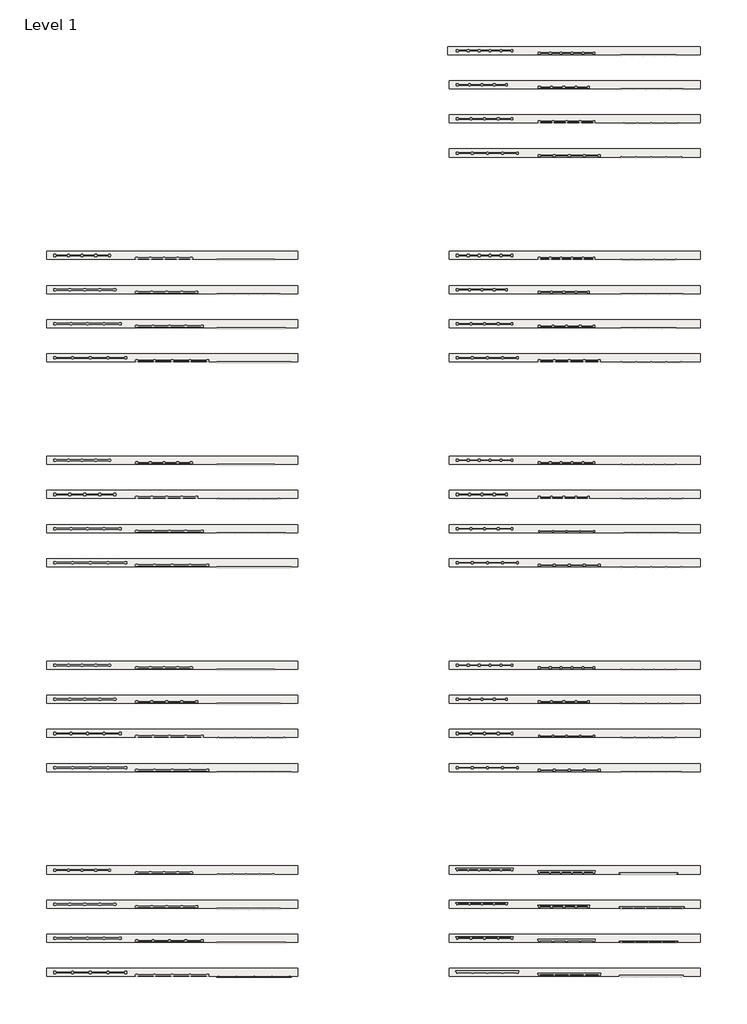
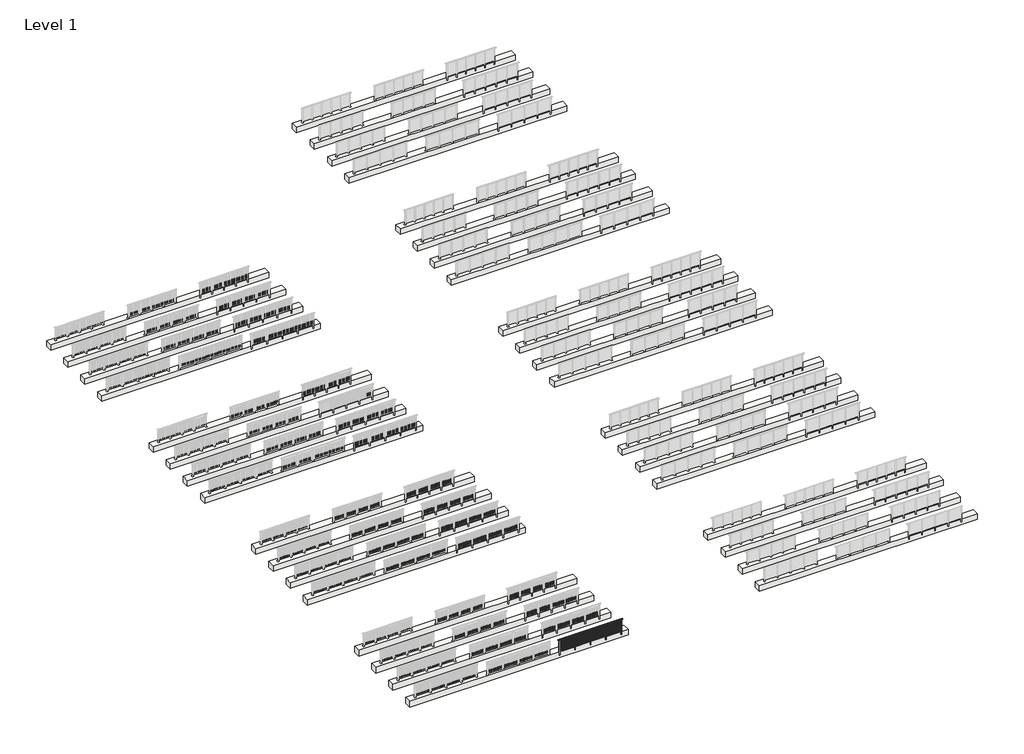
# One storey, part 1 of 38: 36 slabs, 1 railing.
"""IFC4 building model written with IfcOpenShell, lengths in millimetres."""

from ifc_helpers import new_model, si_unit, frame, origin, place, context, project, spatial, polyline, outline, extrude, faceted_brep, element, save

model = new_model("IFC4")

# Units and contexts
model_context = context("Model", 3, world=origin())
ifc_project = project(units=[si_unit("LENGTHUNIT", "METRE", prefix="MILLI")], contexts=[model_context])

# Site, building, storey
site = spatial("IfcSite", under=ifc_project)
building = spatial("IfcBuilding", under=site)
storey = spatial("IfcBuildingStorey", under=building, Name="Level 1", Elevation=0.0)

# Railing
placement = place(None, origin())
element("IfcRailing", 1, at=placement, inside=storey, context=model_context, shape_type="SolidModel", body=[
    faceted_brep([(12000.0, -102.3153172, 1102.5), (12000.0, -102.3153172, 1150.0), (17200.0, -102.3153172, 1150.0), (17200.0, -102.3153172, 1102.5), (12000.0, -162.3153172, 1102.5), (17200.0, -162.3153172, 1102.5), (12000.0, -162.3153172, 1150.0), (17200.0, -162.3153172, 1150.0), (11877.0, -102.3153172, 1150.0), (11877.0, -102.3153172, 1102.5), (11877.0, -162.3153172, 1102.5), (11877.0, -162.3153172, 1150.0), (17323.0, -102.3153172, 1150.0), (17323.0, -162.3153172, 1150.0), (17323.0, -162.3153172, 1102.5), (17323.0, -102.3153172, 1102.5)], [[[0, 1, 2, 3]], [[4, 0, 3, 5]], [[6, 4, 5, 7]], [[1, 6, 7, 2]], [[8, 9, 10, 11]], [[9, 8, 1, 0]], [[10, 9, 0, 4]], [[11, 10, 4, 6]], [[8, 11, 6, 1]], [[12, 13, 14, 15]], [[3, 2, 12, 15]], [[5, 3, 15, 14]], [[7, 5, 14, 13]], [[2, 7, 13, 12]]]),
    extrude(outline(polyline([(12000.0, -150.3153172), (12000.0, -114.3153172), (17200.0, -114.3153172), (17200.0, -150.3153172), (12000.0, -150.3153172)])), frame((0.0, 0.0, 928.0), z_axis=(0.0, 0.0, 1.0), x_axis=(1.0, 0.0, 0.0)), (0.0, 0.0, 1.0), 32.0),
    extrude(outline(polyline([(12000.0, -150.3153172), (12000.0, -114.3153172), (17200.0, -114.3153172), (17200.0, -150.3153172), (12000.0, -150.3153172)])), frame((0.0, 0.0, 93.0), z_axis=(0.0, 0.0, 1.0), x_axis=(1.0, 0.0, 0.0)), (0.0, 0.0, 1.0), 32.0),
    extrude(outline(polyline([(17110.0151515, -140.8153172), (17093.0151515, -140.8153172), (17093.0151515, -123.8153172), (17110.0151515, -123.8153172), (17110.0151515, -140.8153172)])), frame((0.0, 0.0, 125.0), z_axis=(0.0, 0.0, 1.0), x_axis=(1.0, 0.0, 0.0)), (0.0, 0.0, 1.0), 803.0),
    extrude(outline(polyline([(16987.456229, -140.8153172), (16970.456229, -140.8153172), (16970.456229, -123.8153172), (16987.456229, -123.8153172), (16987.456229, -140.8153172)])), frame((0.0, 0.0, 125.0), z_axis=(0.0, 0.0, 1.0), x_axis=(1.0, 0.0, 0.0)), (0.0, 0.0, 1.0), 803.0),
    extrude(outline(polyline([(16864.8973064, -140.8153172), (16847.8973064, -140.8153172), (16847.8973064, -123.8153172), (16864.8973064, -123.8153172), (16864.8973064, -140.8153172)])), frame((0.0, 0.0, 125.0), z_axis=(0.0, 0.0, 1.0), x_axis=(1.0, 0.0, 0.0)), (0.0, 0.0, 1.0), 803.0),
    extrude(outline(polyline([(16742.3383838, -140.8153172), (16725.3383838, -140.8153172), (16725.3383838, -123.8153172), (16742.3383838, -123.8153172), (16742.3383838, -140.8153172)])), frame((0.0, 0.0, 125.0), z_axis=(0.0, 0.0, 1.0), x_axis=(1.0, 0.0, 0.0)), (0.0, 0.0, 1.0), 803.0),
    extrude(outline(polyline([(16619.7794613, -140.8153172), (16602.7794613, -140.8153172), (16602.7794613, -123.8153172), (16619.7794613, -123.8153172), (16619.7794613, -140.8153172)])), frame((0.0, 0.0, 125.0), z_axis=(0.0, 0.0, 1.0), x_axis=(1.0, 0.0, 0.0)), (0.0, 0.0, 1.0), 803.0),
    extrude(outline(polyline([(16497.2205387, -140.8153172), (16480.2205387, -140.8153172), (16480.2205387, -123.8153172), (16497.2205387, -123.8153172), (16497.2205387, -140.8153172)])), frame((0.0, 0.0, 125.0), z_axis=(0.0, 0.0, 1.0), x_axis=(1.0, 0.0, 0.0)), (0.0, 0.0, 1.0), 803.0),
    extrude(outline(polyline([(16374.6616162, -140.8153172), (16357.6616162, -140.8153172), (16357.6616162, -123.8153172), (16374.6616162, -123.8153172), (16374.6616162, -140.8153172)])), frame((0.0, 0.0, 125.0), z_axis=(0.0, 0.0, 1.0), x_axis=(1.0, 0.0, 0.0)), (0.0, 0.0, 1.0), 803.0),
    extrude(outline(polyline([(16252.1026936, -140.8153172), (16235.1026936, -140.8153172), (16235.1026936, -123.8153172), (16252.1026936, -123.8153172), (16252.1026936, -140.8153172)])), frame((0.0, 0.0, 125.0), z_axis=(0.0, 0.0, 1.0), x_axis=(1.0, 0.0, 0.0)), (0.0, 0.0, 1.0), 803.0),
    extrude(outline(polyline([(16129.543771, -140.8153172), (16112.543771, -140.8153172), (16112.543771, -123.8153172), (16129.543771, -123.8153172), (16129.543771, -140.8153172)])), frame((0.0, 0.0, 125.0), z_axis=(0.0, 0.0, 1.0), x_axis=(1.0, 0.0, 0.0)), (0.0, 0.0, 1.0), 803.0),
    extrude(outline(polyline([(16006.9848485, -140.8153172), (15989.9848485, -140.8153172), (15989.9848485, -123.8153172), (16006.9848485, -123.8153172), (16006.9848485, -140.8153172)])), frame((0.0, 0.0, 125.0), z_axis=(0.0, 0.0, 1.0), x_axis=(1.0, 0.0, 0.0)), (0.0, 0.0, 1.0), 803.0),
    extrude(outline(polyline([(15927.0, -93.3153172), (15927.0, -171.3153172), (15873.0, -171.3153172), (15873.0, -93.3153172), (15927.0, -93.3153172)])), frame((0.0, 0.0, 1077.0), z_axis=(0.0, 0.0, 1.0), x_axis=(1.0, 0.0, 0.0)), (0.0, 0.0, 1.0), 8.0),
    extrude(outline(polyline([(15927.0, -93.3153172), (15927.0, -171.3153172), (15873.0, -171.3153172), (15873.0, -93.3153172), (15927.0, -93.3153172)])), frame((0.0, 0.0, -212.0), z_axis=(0.0, 0.0, 1.0), x_axis=(1.0, 0.0, 0.0)), (0.0, 0.0, 1.0), 1289.0),
    extrude(outline(polyline([(15910.0, -122.3153172), (15910.0, -142.3153172), (15890.0, -142.3153172), (15890.0, -122.3153172), (15910.0, -122.3153172)])), frame((0.0, 0.0, 1085.0), z_axis=(0.0, 0.0, 1.0), x_axis=(1.0, 0.0, 0.0)), (0.0, 0.0, 1.0), 20.0),
    extrude(outline(polyline([(15927.0, -93.3153172), (15927.0, -171.3153172), (15873.0, -171.3153172), (15873.0, -93.3153172), (15927.0, -93.3153172)])), frame((0.0, 0.0, -220.0), z_axis=(0.0, 0.0, 1.0), x_axis=(1.0, 0.0, 0.0)), (0.0, 0.0, 1.0), 8.0),
    extrude(outline(polyline([(15810.0151515, -140.8153172), (15793.0151515, -140.8153172), (15793.0151515, -123.8153172), (15810.0151515, -123.8153172), (15810.0151515, -140.8153172)])), frame((0.0, 0.0, 125.0), z_axis=(0.0, 0.0, 1.0), x_axis=(1.0, 0.0, 0.0)), (0.0, 0.0, 1.0), 803.0),
    extrude(outline(polyline([(15687.456229, -140.8153172), (15670.456229, -140.8153172), (15670.456229, -123.8153172), (15687.456229, -123.8153172), (15687.456229, -140.8153172)])), frame((0.0, 0.0, 125.0), z_axis=(0.0, 0.0, 1.0), x_axis=(1.0, 0.0, 0.0)), (0.0, 0.0, 1.0), 803.0),
    extrude(outline(polyline([(15564.8973064, -140.8153172), (15547.8973064, -140.8153172), (15547.8973064, -123.8153172), (15564.8973064, -123.8153172), (15564.8973064, -140.8153172)])), frame((0.0, 0.0, 125.0), z_axis=(0.0, 0.0, 1.0), x_axis=(1.0, 0.0, 0.0)), (0.0, 0.0, 1.0), 803.0),
    extrude(outline(polyline([(15442.3383838, -140.8153172), (15425.3383838, -140.8153172), (15425.3383838, -123.8153172), (15442.3383838, -123.8153172), (15442.3383838, -140.8153172)])), frame((0.0, 0.0, 125.0), z_axis=(0.0, 0.0, 1.0), x_axis=(1.0, 0.0, 0.0)), (0.0, 0.0, 1.0), 803.0),
    extrude(outline(polyline([(15319.7794613, -140.8153172), (15302.7794613, -140.8153172), (15302.7794613, -123.8153172), (15319.7794613, -123.8153172), (15319.7794613, -140.8153172)])), frame((0.0, 0.0, 125.0), z_axis=(0.0, 0.0, 1.0), x_axis=(1.0, 0.0, 0.0)), (0.0, 0.0, 1.0), 803.0),
    extrude(outline(polyline([(15197.2205387, -140.8153172), (15180.2205387, -140.8153172), (15180.2205387, -123.8153172), (15197.2205387, -123.8153172), (15197.2205387, -140.8153172)])), frame((0.0, 0.0, 125.0), z_axis=(0.0, 0.0, 1.0), x_axis=(1.0, 0.0, 0.0)), (0.0, 0.0, 1.0), 803.0),
    extrude(outline(polyline([(15074.6616162, -140.8153172), (15057.6616162, -140.8153172), (15057.6616162, -123.8153172), (15074.6616162, -123.8153172), (15074.6616162, -140.8153172)])), frame((0.0, 0.0, 125.0), z_axis=(0.0, 0.0, 1.0), x_axis=(1.0, 0.0, 0.0)), (0.0, 0.0, 1.0), 803.0),
    extrude(outline(polyline([(14952.1026936, -140.8153172), (14935.1026936, -140.8153172), (14935.1026936, -123.8153172), (14952.1026936, -123.8153172), (14952.1026936, -140.8153172)])), frame((0.0, 0.0, 125.0), z_axis=(0.0, 0.0, 1.0), x_axis=(1.0, 0.0, 0.0)), (0.0, 0.0, 1.0), 803.0),
    extrude(outline(polyline([(14829.543771, -140.8153172), (14812.543771, -140.8153172), (14812.543771, -123.8153172), (14829.543771, -123.8153172), (14829.543771, -140.8153172)])), frame((0.0, 0.0, 125.0), z_axis=(0.0, 0.0, 1.0), x_axis=(1.0, 0.0, 0.0)), (0.0, 0.0, 1.0), 803.0),
    extrude(outline(polyline([(14706.9848485, -140.8153172), (14689.9848485, -140.8153172), (14689.9848485, -123.8153172), (14706.9848485, -123.8153172), (14706.9848485, -140.8153172)])), frame((0.0, 0.0, 125.0), z_axis=(0.0, 0.0, 1.0), x_axis=(1.0, 0.0, 0.0)), (0.0, 0.0, 1.0), 803.0),
    extrude(outline(polyline([(14627.0, -93.3153172), (14627.0, -171.3153172), (14573.0, -171.3153172), (14573.0, -93.3153172), (14627.0, -93.3153172)])), frame((0.0, 0.0, 1077.0), z_axis=(0.0, 0.0, 1.0), x_axis=(1.0, 0.0, 0.0)), (0.0, 0.0, 1.0), 8.0),
    extrude(outline(polyline([(14627.0, -93.3153172), (14627.0, -171.3153172), (14573.0, -171.3153172), (14573.0, -93.3153172), (14627.0, -93.3153172)])), frame((0.0, 0.0, -212.0), z_axis=(0.0, 0.0, 1.0), x_axis=(1.0, 0.0, 0.0)), (0.0, 0.0, 1.0), 1289.0),
    extrude(outline(polyline([(14610.0, -122.3153172), (14610.0, -142.3153172), (14590.0, -142.3153172), (14590.0, -122.3153172), (14610.0, -122.3153172)])), frame((0.0, 0.0, 1085.0), z_axis=(0.0, 0.0, 1.0), x_axis=(1.0, 0.0, 0.0)), (0.0, 0.0, 1.0), 20.0),
    extrude(outline(polyline([(14627.0, -93.3153172), (14627.0, -171.3153172), (14573.0, -171.3153172), (14573.0, -93.3153172), (14627.0, -93.3153172)])), frame((0.0, 0.0, -220.0), z_axis=(0.0, 0.0, 1.0), x_axis=(1.0, 0.0, 0.0)), (0.0, 0.0, 1.0), 8.0),
    extrude(outline(polyline([(14510.0151515, -140.8153172), (14493.0151515, -140.8153172), (14493.0151515, -123.8153172), (14510.0151515, -123.8153172), (14510.0151515, -140.8153172)])), frame((0.0, 0.0, 125.0), z_axis=(0.0, 0.0, 1.0), x_axis=(1.0, 0.0, 0.0)), (0.0, 0.0, 1.0), 803.0),
    extrude(outline(polyline([(14387.456229, -140.8153172), (14370.456229, -140.8153172), (14370.456229, -123.8153172), (14387.456229, -123.8153172), (14387.456229, -140.8153172)])), frame((0.0, 0.0, 125.0), z_axis=(0.0, 0.0, 1.0), x_axis=(1.0, 0.0, 0.0)), (0.0, 0.0, 1.0), 803.0),
    extrude(outline(polyline([(14264.8973064, -140.8153172), (14247.8973064, -140.8153172), (14247.8973064, -123.8153172), (14264.8973064, -123.8153172), (14264.8973064, -140.8153172)])), frame((0.0, 0.0, 125.0), z_axis=(0.0, 0.0, 1.0), x_axis=(1.0, 0.0, 0.0)), (0.0, 0.0, 1.0), 803.0),
    extrude(outline(polyline([(14142.3383838, -140.8153172), (14125.3383838, -140.8153172), (14125.3383838, -123.8153172), (14142.3383838, -123.8153172), (14142.3383838, -140.8153172)])), frame((0.0, 0.0, 125.0), z_axis=(0.0, 0.0, 1.0), x_axis=(1.0, 0.0, 0.0)), (0.0, 0.0, 1.0), 803.0),
    extrude(outline(polyline([(14019.7794613, -140.8153172), (14002.7794613, -140.8153172), (14002.7794613, -123.8153172), (14019.7794613, -123.8153172), (14019.7794613, -140.8153172)])), frame((0.0, 0.0, 125.0), z_axis=(0.0, 0.0, 1.0), x_axis=(1.0, 0.0, 0.0)), (0.0, 0.0, 1.0), 803.0),
    extrude(outline(polyline([(13897.2205387, -140.8153172), (13880.2205387, -140.8153172), (13880.2205387, -123.8153172), (13897.2205387, -123.8153172), (13897.2205387, -140.8153172)])), frame((0.0, 0.0, 125.0), z_axis=(0.0, 0.0, 1.0), x_axis=(1.0, 0.0, 0.0)), (0.0, 0.0, 1.0), 803.0),
    extrude(outline(polyline([(13774.6616162, -140.8153172), (13757.6616162, -140.8153172), (13757.6616162, -123.8153172), (13774.6616162, -123.8153172), (13774.6616162, -140.8153172)])), frame((0.0, 0.0, 125.0), z_axis=(0.0, 0.0, 1.0), x_axis=(1.0, 0.0, 0.0)), (0.0, 0.0, 1.0), 803.0),
    extrude(outline(polyline([(13652.1026936, -140.8153172), (13635.1026936, -140.8153172), (13635.1026936, -123.8153172), (13652.1026936, -123.8153172), (13652.1026936, -140.8153172)])), frame((0.0, 0.0, 125.0), z_axis=(0.0, 0.0, 1.0), x_axis=(1.0, 0.0, 0.0)), (0.0, 0.0, 1.0), 803.0),
    extrude(outline(polyline([(13529.543771, -140.8153172), (13512.543771, -140.8153172), (13512.543771, -123.8153172), (13529.543771, -123.8153172), (13529.543771, -140.8153172)])), frame((0.0, 0.0, 125.0), z_axis=(0.0, 0.0, 1.0), x_axis=(1.0, 0.0, 0.0)), (0.0, 0.0, 1.0), 803.0),
    extrude(outline(polyline([(13406.9848485, -140.8153172), (13389.9848485, -140.8153172), (13389.9848485, -123.8153172), (13406.9848485, -123.8153172), (13406.9848485, -140.8153172)])), frame((0.0, 0.0, 125.0), z_axis=(0.0, 0.0, 1.0), x_axis=(1.0, 0.0, 0.0)), (0.0, 0.0, 1.0), 803.0),
    extrude(outline(polyline([(13327.0, -93.3153172), (13327.0, -171.3153172), (13273.0, -171.3153172), (13273.0, -93.3153172), (13327.0, -93.3153172)])), frame((0.0, 0.0, 1077.0), z_axis=(0.0, 0.0, 1.0), x_axis=(1.0, 0.0, 0.0)), (0.0, 0.0, 1.0), 8.0),
    extrude(outline(polyline([(13327.0, -93.3153172), (13327.0, -171.3153172), (13273.0, -171.3153172), (13273.0, -93.3153172), (13327.0, -93.3153172)])), frame((0.0, 0.0, -212.0), z_axis=(0.0, 0.0, 1.0), x_axis=(1.0, 0.0, 0.0)), (0.0, 0.0, 1.0), 1289.0),
    extrude(outline(polyline([(13310.0, -122.3153172), (13310.0, -142.3153172), (13290.0, -142.3153172), (13290.0, -122.3153172), (13310.0, -122.3153172)])), frame((0.0, 0.0, 1085.0), z_axis=(0.0, 0.0, 1.0), x_axis=(1.0, 0.0, 0.0)), (0.0, 0.0, 1.0), 20.0),
    extrude(outline(polyline([(13327.0, -93.3153172), (13327.0, -171.3153172), (13273.0, -171.3153172), (13273.0, -93.3153172), (13327.0, -93.3153172)])), frame((0.0, 0.0, -220.0), z_axis=(0.0, 0.0, 1.0), x_axis=(1.0, 0.0, 0.0)), (0.0, 0.0, 1.0), 8.0),
    extrude(outline(polyline([(13210.0151515, -140.8153172), (13193.0151515, -140.8153172), (13193.0151515, -123.8153172), (13210.0151515, -123.8153172), (13210.0151515, -140.8153172)])), frame((0.0, 0.0, 125.0), z_axis=(0.0, 0.0, 1.0), x_axis=(1.0, 0.0, 0.0)), (0.0, 0.0, 1.0), 803.0),
    extrude(outline(polyline([(13087.456229, -140.8153172), (13070.456229, -140.8153172), (13070.456229, -123.8153172), (13087.456229, -123.8153172), (13087.456229, -140.8153172)])), frame((0.0, 0.0, 125.0), z_axis=(0.0, 0.0, 1.0), x_axis=(1.0, 0.0, 0.0)), (0.0, 0.0, 1.0), 803.0),
    extrude(outline(polyline([(12964.8973064, -140.8153172), (12947.8973064, -140.8153172), (12947.8973064, -123.8153172), (12964.8973064, -123.8153172), (12964.8973064, -140.8153172)])), frame((0.0, 0.0, 125.0), z_axis=(0.0, 0.0, 1.0), x_axis=(1.0, 0.0, 0.0)), (0.0, 0.0, 1.0), 803.0),
    extrude(outline(polyline([(12842.3383838, -140.8153172), (12825.3383838, -140.8153172), (12825.3383838, -123.8153172), (12842.3383838, -123.8153172), (12842.3383838, -140.8153172)])), frame((0.0, 0.0, 125.0), z_axis=(0.0, 0.0, 1.0), x_axis=(1.0, 0.0, 0.0)), (0.0, 0.0, 1.0), 803.0),
    extrude(outline(polyline([(12719.7794613, -140.8153172), (12702.7794613, -140.8153172), (12702.7794613, -123.8153172), (12719.7794613, -123.8153172), (12719.7794613, -140.8153172)])), frame((0.0, 0.0, 125.0), z_axis=(0.0, 0.0, 1.0), x_axis=(1.0, 0.0, 0.0)), (0.0, 0.0, 1.0), 803.0),
    extrude(outline(polyline([(12597.2205387, -140.8153172), (12580.2205387, -140.8153172), (12580.2205387, -123.8153172), (12597.2205387, -123.8153172), (12597.2205387, -140.8153172)])), frame((0.0, 0.0, 125.0), z_axis=(0.0, 0.0, 1.0), x_axis=(1.0, 0.0, 0.0)), (0.0, 0.0, 1.0), 803.0),
    extrude(outline(polyline([(12474.6616162, -140.8153172), (12457.6616162, -140.8153172), (12457.6616162, -123.8153172), (12474.6616162, -123.8153172), (12474.6616162, -140.8153172)])), frame((0.0, 0.0, 125.0), z_axis=(0.0, 0.0, 1.0), x_axis=(1.0, 0.0, 0.0)), (0.0, 0.0, 1.0), 803.0),
    extrude(outline(polyline([(12352.1026936, -140.8153172), (12335.1026936, -140.8153172), (12335.1026936, -123.8153172), (12352.1026936, -123.8153172), (12352.1026936, -140.8153172)])), frame((0.0, 0.0, 125.0), z_axis=(0.0, 0.0, 1.0), x_axis=(1.0, 0.0, 0.0)), (0.0, 0.0, 1.0), 803.0),
    extrude(outline(polyline([(12229.543771, -140.8153172), (12212.543771, -140.8153172), (12212.543771, -123.8153172), (12229.543771, -123.8153172), (12229.543771, -140.8153172)])), frame((0.0, 0.0, 125.0), z_axis=(0.0, 0.0, 1.0), x_axis=(1.0, 0.0, 0.0)), (0.0, 0.0, 1.0), 803.0),
    extrude(outline(polyline([(12106.9848485, -140.8153172), (12089.9848485, -140.8153172), (12089.9848485, -123.8153172), (12106.9848485, -123.8153172), (12106.9848485, -140.8153172)])), frame((0.0, 0.0, 125.0), z_axis=(0.0, 0.0, 1.0), x_axis=(1.0, 0.0, 0.0)), (0.0, 0.0, 1.0), 803.0),
    extrude(outline(polyline([(17227.0, -93.3153172), (17227.0, -171.3153172), (17173.0, -171.3153172), (17173.0, -93.3153172), (17227.0, -93.3153172)])), frame((0.0, 0.0, 1077.0), z_axis=(0.0, 0.0, 1.0), x_axis=(1.0, 0.0, 0.0)), (0.0, 0.0, 1.0), 8.0),
    extrude(outline(polyline([(17227.0, -93.3153172), (17227.0, -171.3153172), (17173.0, -171.3153172), (17173.0, -93.3153172), (17227.0, -93.3153172)])), frame((0.0, 0.0, -212.0), z_axis=(0.0, 0.0, 1.0), x_axis=(1.0, 0.0, 0.0)), (0.0, 0.0, 1.0), 1289.0),
    extrude(outline(polyline([(17210.0, -122.3153172), (17210.0, -142.3153172), (17190.0, -142.3153172), (17190.0, -122.3153172), (17210.0, -122.3153172)])), frame((0.0, 0.0, 1085.0), z_axis=(0.0, 0.0, 1.0), x_axis=(1.0, 0.0, 0.0)), (0.0, 0.0, 1.0), 20.0),
    extrude(outline(polyline([(17227.0, -93.3153172), (17227.0, -171.3153172), (17173.0, -171.3153172), (17173.0, -93.3153172), (17227.0, -93.3153172)])), frame((0.0, 0.0, -220.0), z_axis=(0.0, 0.0, 1.0), x_axis=(1.0, 0.0, 0.0)), (0.0, 0.0, 1.0), 8.0),
    extrude(outline(polyline([(12027.0, -93.3153172), (12027.0, -171.3153172), (11973.0, -171.3153172), (11973.0, -93.3153172), (12027.0, -93.3153172)])), frame((0.0, 0.0, 1077.0), z_axis=(0.0, 0.0, 1.0), x_axis=(1.0, 0.0, 0.0)), (0.0, 0.0, 1.0), 8.0),
    extrude(outline(polyline([(12027.0, -93.3153172), (12027.0, -171.3153172), (11973.0, -171.3153172), (11973.0, -93.3153172), (12027.0, -93.3153172)])), frame((0.0, 0.0, -212.0), z_axis=(0.0, 0.0, 1.0), x_axis=(1.0, 0.0, 0.0)), (0.0, 0.0, 1.0), 1289.0),
    extrude(outline(polyline([(12010.0, -122.3153172), (12010.0, -142.3153172), (11990.0, -142.3153172), (11990.0, -122.3153172), (12010.0, -122.3153172)])), frame((0.0, 0.0, 1085.0), z_axis=(0.0, 0.0, 1.0), x_axis=(1.0, 0.0, 0.0)), (0.0, 0.0, 1.0), 20.0),
    extrude(outline(polyline([(12027.0, -93.3153172), (12027.0, -171.3153172), (11973.0, -171.3153172), (11973.0, -93.3153172), (12027.0, -93.3153172)])), frame((0.0, 0.0, -220.0), z_axis=(0.0, 0.0, 1.0), x_axis=(1.0, 0.0, 0.0)), (0.0, 0.0, 1.0), 8.0),
])

# Slabs
element("IfcSlab", 2, ObjectType="Generic 500", at=placement, inside=storey, context=model_context, shape_type="SweptSolid", body=[
    extrude(outline(polyline([(17800.0, -99.8153172), (-600.0, -99.8153172), (-600.0, 490.1846828), (17800.0, 490.1846828), (17800.0, -99.8153172)])), frame((0.0, 0.0, -500.0), z_axis=(0.0, 0.0, 1.0), x_axis=(1.0, 0.0, 0.0)), (0.0, 0.0, 1.0), 500.0),
])
element("IfcSlab", 3, ObjectType="Generic 500", at=placement, inside=storey, context=model_context, shape_type="SweptSolid", body=[
    extrude(outline(polyline([(17800.0, 2400.1846828), (-600.0, 2400.1846828), (-600.0, 2990.1846828), (17800.0, 2990.1846828), (17800.0, 2400.1846828)])), frame((0.0, 0.0, -500.0), z_axis=(0.0, 0.0, 1.0), x_axis=(1.0, 0.0, 0.0)), (0.0, 0.0, 1.0), 500.0),
])
element("IfcSlab", 4, ObjectType="Generic 500", at=placement, inside=storey, context=model_context, shape_type="SweptSolid", body=[
    extrude(outline(polyline([(17800.0, 4900.1846828), (-600.0, 4900.1846828), (-600.0, 5490.1846828), (17800.0, 5490.1846828), (17800.0, 4900.1846828)])), frame((0.0, 0.0, -500.0), z_axis=(0.0, 0.0, 1.0), x_axis=(1.0, 0.0, 0.0)), (0.0, 0.0, 1.0), 500.0),
])
element("IfcSlab", 5, ObjectType="Generic 500", at=placement, inside=storey, context=model_context, shape_type="SweptSolid", body=[
    extrude(outline(polyline([(17800.0, 7400.1846828), (-600.0, 7400.1846828), (-600.0, 7990.1846828), (17800.0, 7990.1846828), (17800.0, 7400.1846828)])), frame((0.0, 0.0, -500.0), z_axis=(0.0, 0.0, 1.0), x_axis=(1.0, 0.0, 0.0)), (0.0, 0.0, 1.0), 500.0),
])
element("IfcSlab", 6, ObjectType="Generic 500", at=placement, inside=storey, context=model_context, shape_type="SweptSolid", body=[
    extrude(outline(polyline([(17800.0, 14900.1846828), (-600.0, 14900.1846828), (-600.0, 15490.1846828), (17800.0, 15490.1846828), (17800.0, 14900.1846828)])), frame((0.0, 0.0, -500.0), z_axis=(0.0, 0.0, 1.0), x_axis=(1.0, 0.0, 0.0)), (0.0, 0.0, 1.0), 500.0),
])
element("IfcSlab", 7, ObjectType="Generic 500", at=placement, inside=storey, context=model_context, shape_type="SweptSolid", body=[
    extrude(outline(polyline([(17800.0, 17400.1846828), (-600.0, 17400.1846828), (-600.0, 17990.1846828), (17800.0, 17990.1846828), (17800.0, 17400.1846828)])), frame((0.0, 0.0, -500.0), z_axis=(0.0, 0.0, 1.0), x_axis=(1.0, 0.0, 0.0)), (0.0, 0.0, 1.0), 500.0),
])
element("IfcSlab", 8, ObjectType="Generic 500", at=placement, inside=storey, context=model_context, shape_type="SweptSolid", body=[
    extrude(outline(polyline([(17800.0, 19900.1846828), (-600.0, 19900.1846828), (-600.0, 20490.1846828), (17800.0, 20490.1846828), (17800.0, 19900.1846828)])), frame((0.0, 0.0, -500.0), z_axis=(0.0, 0.0, 1.0), x_axis=(1.0, 0.0, 0.0)), (0.0, 0.0, 1.0), 500.0),
])
element("IfcSlab", 9, ObjectType="Generic 500", at=placement, inside=storey, context=model_context, shape_type="SweptSolid", body=[
    extrude(outline(polyline([(17800.0, 22400.1846828), (-600.0, 22400.1846828), (-600.0, 22990.1846828), (17800.0, 22990.1846828), (17800.0, 22400.1846828)])), frame((0.0, 0.0, -500.0), z_axis=(0.0, 0.0, 1.0), x_axis=(1.0, 0.0, 0.0)), (0.0, 0.0, 1.0), 500.0),
])
element("IfcSlab", 10, ObjectType="Generic 500", at=placement, inside=storey, context=model_context, shape_type="SweptSolid", body=[
    extrude(outline(polyline([(47276.1884576, 14900.1846828), (28876.1884576, 14900.1846828), (28876.1884576, 15490.1846828), (47276.1884576, 15490.1846828), (47276.1884576, 14900.1846828)])), frame((0.0, 0.0, -500.0), z_axis=(0.0, 0.0, 1.0), x_axis=(1.0, 0.0, 0.0)), (0.0, 0.0, 1.0), 500.0),
])
element("IfcSlab", 11, ObjectType="Generic 500", at=placement, inside=storey, context=model_context, shape_type="SweptSolid", body=[
    extrude(outline(polyline([(47276.1884576, 17400.1846828), (28876.1884576, 17400.1846828), (28876.1884576, 17990.1846828), (47276.1884576, 17990.1846828), (47276.1884576, 17400.1846828)])), frame((0.0, 0.0, -500.0), z_axis=(0.0, 0.0, 1.0), x_axis=(1.0, 0.0, 0.0)), (0.0, 0.0, 1.0), 500.0),
])
element("IfcSlab", 12, ObjectType="Generic 500", at=placement, inside=storey, context=model_context, shape_type="SweptSolid", body=[
    extrude(outline(polyline([(47276.1884576, 19900.1846828), (28876.1884576, 19900.1846828), (28876.1884576, 20490.1846828), (47276.1884576, 20490.1846828), (47276.1884576, 19900.1846828)])), frame((0.0, 0.0, -500.0), z_axis=(0.0, 0.0, 1.0), x_axis=(1.0, 0.0, 0.0)), (0.0, 0.0, 1.0), 500.0),
])
element("IfcSlab", 13, ObjectType="Generic 500", at=placement, inside=storey, context=model_context, shape_type="SweptSolid", body=[
    extrude(outline(polyline([(47276.1884576, 22400.1846828), (28876.1884576, 22400.1846828), (28876.1884576, 22990.1846828), (47276.1884576, 22990.1846828), (47276.1884576, 22400.1846828)])), frame((0.0, 0.0, -500.0), z_axis=(0.0, 0.0, 1.0), x_axis=(1.0, 0.0, 0.0)), (0.0, 0.0, 1.0), 500.0),
])
element("IfcSlab", 14, ObjectType="Generic 500", at=placement, inside=storey, context=model_context, shape_type="SweptSolid", body=[
    extrude(outline(polyline([(47276.1884576, -99.8153172), (28876.1884576, -99.8153172), (28876.1884576, 490.1846828), (47276.1884576, 490.1846828), (47276.1884576, -99.8153172)])), frame((0.0, 0.0, -500.0), z_axis=(0.0, 0.0, 1.0), x_axis=(1.0, 0.0, 0.0)), (0.0, 0.0, 1.0), 500.0),
])
element("IfcSlab", 15, ObjectType="Generic 500", at=placement, inside=storey, context=model_context, shape_type="SweptSolid", body=[
    extrude(outline(polyline([(47276.1884576, 2400.1846828), (28876.1884576, 2400.1846828), (28876.1884576, 2990.1846828), (47276.1884576, 2990.1846828), (47276.1884576, 2400.1846828)])), frame((0.0, 0.0, -500.0), z_axis=(0.0, 0.0, 1.0), x_axis=(1.0, 0.0, 0.0)), (0.0, 0.0, 1.0), 500.0),
])
element("IfcSlab", 16, ObjectType="Generic 500", at=placement, inside=storey, context=model_context, shape_type="SweptSolid", body=[
    extrude(outline(polyline([(47276.1884576, 4900.1846828), (28876.1884576, 4900.1846828), (28876.1884576, 5490.1846828), (47276.1884576, 5490.1846828), (47276.1884576, 4900.1846828)])), frame((0.0, 0.0, -500.0), z_axis=(0.0, 0.0, 1.0), x_axis=(1.0, 0.0, 0.0)), (0.0, 0.0, 1.0), 500.0),
])
element("IfcSlab", 17, ObjectType="Generic 500", at=placement, inside=storey, context=model_context, shape_type="SweptSolid", body=[
    extrude(outline(polyline([(47276.1884576, 7400.1846828), (28876.1884576, 7400.1846828), (28876.1884576, 7990.1846828), (47276.1884576, 7990.1846828), (47276.1884576, 7400.1846828)])), frame((0.0, 0.0, -500.0), z_axis=(0.0, 0.0, 1.0), x_axis=(1.0, 0.0, 0.0)), (0.0, 0.0, 1.0), 500.0),
])
element("IfcSlab", 18, ObjectType="Generic 500", at=placement, inside=storey, context=model_context, shape_type="SweptSolid", body=[
    extrude(outline(polyline([(47276.1884576, 29900.1846828), (28876.1884576, 29900.1846828), (28876.1884576, 30490.1846828), (47276.1884576, 30490.1846828), (47276.1884576, 29900.1846828)])), frame((0.0, 0.0, -500.0), z_axis=(0.0, 0.0, 1.0), x_axis=(1.0, 0.0, 0.0)), (0.0, 0.0, 1.0), 500.0),
])
element("IfcSlab", 19, ObjectType="Generic 500", at=placement, inside=storey, context=model_context, shape_type="SweptSolid", body=[
    extrude(outline(polyline([(47276.1884576, 32400.1846828), (28876.1884576, 32400.1846828), (28876.1884576, 32990.1846828), (47276.1884576, 32990.1846828), (47276.1884576, 32400.1846828)])), frame((0.0, 0.0, -500.0), z_axis=(0.0, 0.0, 1.0), x_axis=(1.0, 0.0, 0.0)), (0.0, 0.0, 1.0), 500.0),
])
element("IfcSlab", 20, ObjectType="Generic 500", at=placement, inside=storey, context=model_context, shape_type="SweptSolid", body=[
    extrude(outline(polyline([(47276.1884576, 34900.1846828), (28876.1884576, 34900.1846828), (28876.1884576, 35490.1846828), (47276.1884576, 35490.1846828), (47276.1884576, 34900.1846828)])), frame((0.0, 0.0, -500.0), z_axis=(0.0, 0.0, 1.0), x_axis=(1.0, 0.0, 0.0)), (0.0, 0.0, 1.0), 500.0),
])
element("IfcSlab", 21, ObjectType="Generic 500", at=placement, inside=storey, context=model_context, shape_type="SweptSolid", body=[
    extrude(outline(polyline([(47276.1884576, 37400.1846828), (28876.1884576, 37400.1846828), (28876.1884576, 37990.1846828), (47276.1884576, 37990.1846828), (47276.1884576, 37400.1846828)])), frame((0.0, 0.0, -500.0), z_axis=(0.0, 0.0, 1.0), x_axis=(1.0, 0.0, 0.0)), (0.0, 0.0, 1.0), 500.0),
])
element("IfcSlab", 22, ObjectType="Generic 500", at=placement, inside=storey, context=model_context, shape_type="SweptSolid", body=[
    extrude(outline(polyline([(47276.1884576, 44900.1846828), (28876.1884576, 44900.1846828), (28876.1884576, 45490.1846828), (47276.1884576, 45490.1846828), (47276.1884576, 44900.1846828)])), frame((0.0, 0.0, -500.0), z_axis=(0.0, 0.0, 1.0), x_axis=(1.0, 0.0, 0.0)), (0.0, 0.0, 1.0), 500.0),
])
element("IfcSlab", 23, ObjectType="Generic 500", at=placement, inside=storey, context=model_context, shape_type="SweptSolid", body=[
    extrude(outline(polyline([(47276.1884576, 47400.1846828), (28876.1884576, 47400.1846828), (28876.1884576, 47990.1846828), (47276.1884576, 47990.1846828), (47276.1884576, 47400.1846828)])), frame((0.0, 0.0, -500.0), z_axis=(0.0, 0.0, 1.0), x_axis=(1.0, 0.0, 0.0)), (0.0, 0.0, 1.0), 500.0),
])
element("IfcSlab", 24, ObjectType="Generic 500", at=placement, inside=storey, context=model_context, shape_type="SweptSolid", body=[
    extrude(outline(polyline([(47276.1884576, 49900.1846828), (28876.1884576, 49900.1846828), (28876.1884576, 50490.1846828), (47276.1884576, 50490.1846828), (47276.1884576, 49900.1846828)])), frame((0.0, 0.0, -500.0), z_axis=(0.0, 0.0, 1.0), x_axis=(1.0, 0.0, 0.0)), (0.0, 0.0, 1.0), 500.0),
])
element("IfcSlab", 25, ObjectType="Generic 500", at=placement, inside=storey, context=model_context, shape_type="SweptSolid", body=[
    extrude(outline(polyline([(47276.1884576, 52400.1846828), (28876.1884576, 52400.1846828), (28876.1884576, 52990.1846828), (47276.1884576, 52990.1846828), (47276.1884576, 52400.1846828)])), frame((0.0, 0.0, -500.0), z_axis=(0.0, 0.0, 1.0), x_axis=(1.0, 0.0, 0.0)), (0.0, 0.0, 1.0), 500.0),
])
element("IfcSlab", 26, ObjectType="Generic 500", at=placement, inside=storey, context=model_context, shape_type="SweptSolid", body=[
    extrude(outline(polyline([(47276.1884576, 59900.1846828), (28876.1884576, 59900.1846828), (28876.1884576, 60500.1846828), (47276.1884576, 60500.1846828), (47276.1884576, 59900.1846828)])), frame((0.0, 0.0, -500.0), z_axis=(0.0, 0.0, 1.0), x_axis=(1.0, 0.0, 0.0)), (0.0, 0.0, 1.0), 500.0),
])
element("IfcSlab", 27, ObjectType="Generic 500", at=placement, inside=storey, context=model_context, shape_type="SweptSolid", body=[
    extrude(outline(polyline([(47276.1884576, 62400.1846828), (28876.1884576, 62400.1846828), (28876.1884576, 62990.1846828), (47276.1884576, 62990.1846828), (47276.1884576, 62400.1846828)])), frame((0.0, 0.0, -500.0), z_axis=(0.0, 0.0, 1.0), x_axis=(1.0, 0.0, 0.0)), (0.0, 0.0, 1.0), 500.0),
])
element("IfcSlab", 28, ObjectType="Generic 500", at=placement, inside=storey, context=model_context, shape_type="SweptSolid", body=[
    extrude(outline(polyline([(47276.1884576, 64900.1846828), (28876.1884576, 64900.1846828), (28876.1884576, 65490.1846828), (47276.1884576, 65490.1846828), (47276.1884576, 64900.1846828)])), frame((0.0, 0.0, -500.0), z_axis=(0.0, 0.0, 1.0), x_axis=(1.0, 0.0, 0.0)), (0.0, 0.0, 1.0), 500.0),
])
element("IfcSlab", 29, ObjectType="Generic 500", at=placement, inside=storey, context=model_context, shape_type="SweptSolid", body=[
    extrude(outline(polyline([(47276.1884576, 67400.1846828), (28776.1884576, 67400.1846828), (28776.1884576, 67990.1846828), (47276.1884576, 67990.1846828), (47276.1884576, 67400.1846828)])), frame((0.0, 0.0, -500.0), z_axis=(0.0, 0.0, 1.0), x_axis=(1.0, 0.0, 0.0)), (0.0, 0.0, 1.0), 500.0),
])
element("IfcSlab", 30, ObjectType="Generic 500", at=placement, inside=storey, context=model_context, shape_type="SweptSolid", body=[
    extrude(outline(polyline([(17800.0, 29900.1846828), (-600.0, 29900.1846828), (-600.0, 30490.1846828), (17800.0, 30490.1846828), (17800.0, 29900.1846828)])), frame((0.0, 0.0, -500.0), z_axis=(0.0, 0.0, 1.0), x_axis=(1.0, 0.0, 0.0)), (0.0, 0.0, 1.0), 500.0),
])
element("IfcSlab", 31, ObjectType="Generic 500", at=placement, inside=storey, context=model_context, shape_type="SweptSolid", body=[
    extrude(outline(polyline([(17800.0, 32400.1846828), (-600.0, 32400.1846828), (-600.0, 32990.1846828), (17800.0, 32990.1846828), (17800.0, 32400.1846828)])), frame((0.0, 0.0, -500.0), z_axis=(0.0, 0.0, 1.0), x_axis=(1.0, 0.0, 0.0)), (0.0, 0.0, 1.0), 500.0),
])
element("IfcSlab", 32, ObjectType="Generic 500", at=placement, inside=storey, context=model_context, shape_type="SweptSolid", body=[
    extrude(outline(polyline([(17800.0, 34900.1846828), (-600.0, 34900.1846828), (-600.0, 35490.1846828), (17800.0, 35490.1846828), (17800.0, 34900.1846828)])), frame((0.0, 0.0, -500.0), z_axis=(0.0, 0.0, 1.0), x_axis=(1.0, 0.0, 0.0)), (0.0, 0.0, 1.0), 500.0),
])
element("IfcSlab", 33, ObjectType="Generic 500", at=placement, inside=storey, context=model_context, shape_type="SweptSolid", body=[
    extrude(outline(polyline([(17800.0, 37400.1846828), (-600.0, 37400.1846828), (-600.0, 37990.1846828), (17800.0, 37990.1846828), (17800.0, 37400.1846828)])), frame((0.0, 0.0, -500.0), z_axis=(0.0, 0.0, 1.0), x_axis=(1.0, 0.0, 0.0)), (0.0, 0.0, 1.0), 500.0),
])
element("IfcSlab", 34, ObjectType="Generic 500", at=placement, inside=storey, context=model_context, shape_type="SweptSolid", body=[
    extrude(outline(polyline([(17800.0, 44900.1846828), (-600.0, 44900.1846828), (-600.0, 45490.1846828), (17800.0, 45490.1846828), (17800.0, 44900.1846828)])), frame((0.0, 0.0, -500.0), z_axis=(0.0, 0.0, 1.0), x_axis=(1.0, 0.0, 0.0)), (0.0, 0.0, 1.0), 500.0),
])
element("IfcSlab", 35, ObjectType="Generic 500", at=placement, inside=storey, context=model_context, shape_type="SweptSolid", body=[
    extrude(outline(polyline([(17800.0, 47400.1846828), (-600.0, 47400.1846828), (-600.0, 47990.1846828), (17800.0, 47990.1846828), (17800.0, 47400.1846828)])), frame((0.0, 0.0, -500.0), z_axis=(0.0, 0.0, 1.0), x_axis=(1.0, 0.0, 0.0)), (0.0, 0.0, 1.0), 500.0),
])
element("IfcSlab", 36, ObjectType="Generic 500", at=placement, inside=storey, context=model_context, shape_type="SweptSolid", body=[
    extrude(outline(polyline([(17800.0, 49900.1846828), (-600.0, 49900.1846828), (-600.0, 50490.1846828), (17800.0, 50490.1846828), (17800.0, 49900.1846828)])), frame((0.0, 0.0, -500.0), z_axis=(0.0, 0.0, 1.0), x_axis=(1.0, 0.0, 0.0)), (0.0, 0.0, 1.0), 500.0),
])
element("IfcSlab", 37, ObjectType="Generic 500", at=placement, inside=storey, context=model_context, shape_type="SweptSolid", body=[
    extrude(outline(polyline([(17800.0, 52400.1846828), (-600.0, 52400.1846828), (-600.0, 52990.1846828), (17800.0, 52990.1846828), (17800.0, 52400.1846828)])), frame((0.0, 0.0, -500.0), z_axis=(0.0, 0.0, 1.0), x_axis=(1.0, 0.0, 0.0)), (0.0, 0.0, 1.0), 500.0),
])

save(model, "model.ifc")
